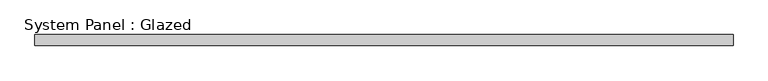
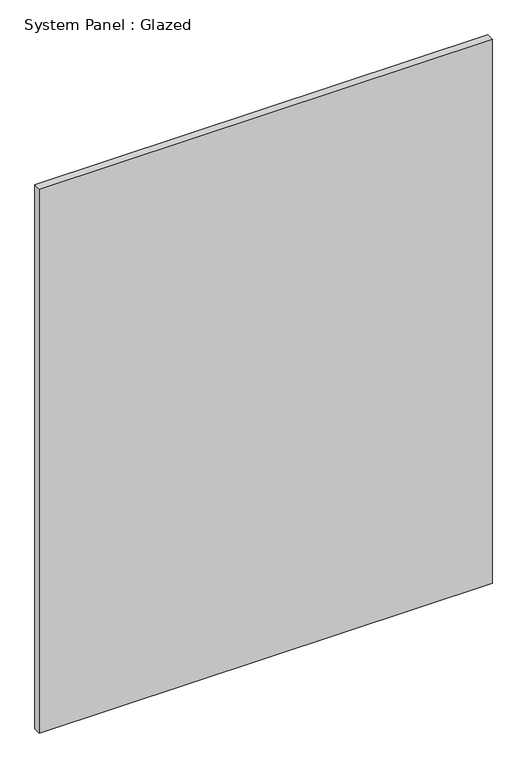
"""IFC4 building model written with IfcOpenShell, lengths in millimetres: plate geometry, System Panel : Glazed."""

from ifc_helpers import new_model, si_unit, origin, origin_with_axes, place, context, project, spatial, polyline, outline, extrude, source, transform, mapped, element, save


def system_panel_glazed_a0255bc6(model_context):
    return source(origin(), model_context, "Body", "SweptSolid", [
        extrude(outline(polyline([(787.5, 24.5), (-787.5, 24.5), (-787.5, 49.5), (787.5, 49.5), (787.5, 24.5)])), origin_with_axes(), (0.0, 0.0, 1.0), 2000.0),
    ])


if __name__ == "__main__":
    model = new_model("IFC4")
    model_context = context("Model", 3, world=origin())
    ifc_project = project(units=[si_unit("LENGTHUNIT", "METRE", prefix="MILLI")], contexts=[model_context])
    site = spatial("IfcSite", under=ifc_project)
    building = spatial("IfcBuilding", under=site)
    placement = place(None, origin())
    system_panel_glazed_shape = system_panel_glazed_a0255bc6(model_context)
    element("IfcPlate", 1, ObjectType="System Panel : Glazed", at=placement, inside=building, context=model_context, shape_type="MappedRepresentation", body=[
        mapped(system_panel_glazed_shape, transform((0.0, 0.0, 0.0), x_axis=(1.0, 0.0, 0.0), y_axis=(0.0, 1.0, 0.0), z_axis=(0.0, 0.0, 1.0))),
    ])
    save(model, "model.ifc")
